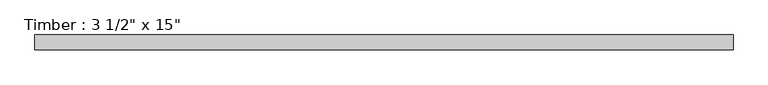
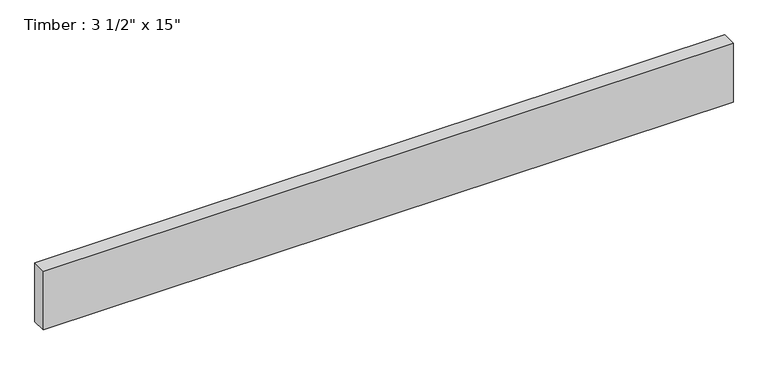
"""IFC4 building model written with IfcOpenShell, lengths in millimetres: beam geometry."""

from ifc_helpers import new_model, si_unit, frame, origin, place, context, project, spatial, polyline, outline, extrude, source, transform, mapped, element, save


def beam_1bd46e7e(model_context):
    return source(origin(), model_context, "Body", "SweptSolid", [
        extrude(outline(polyline([(2112.9625, 44.45), (2112.9625, -44.45), (-2112.9625, -44.45), (-2112.9625, 44.45), (2112.9625, 44.45)])), frame((0.0, 0.0, -190.5), z_axis=(0.0, 0.0, 1.0), x_axis=(1.0, 0.0, 0.0)), (0.0, 0.0, 1.0), 381.0),
    ])


if __name__ == "__main__":
    model = new_model("IFC4")
    model_context = context("Model", 3, world=origin())
    ifc_project = project(units=[si_unit("LENGTHUNIT", "METRE", prefix="MILLI")], contexts=[model_context])
    site = spatial("IfcSite", under=ifc_project)
    building = spatial("IfcBuilding", under=site)
    placement = place(None, origin())
    beam_shape = beam_1bd46e7e(model_context)
    element("IfcBeam", 1, ObjectType="Timber : 3 1/2\" x 15\"", at=placement, inside=building, context=model_context, shape_type="MappedRepresentation", body=[
        mapped(beam_shape, transform((0.0, 0.0, 0.0), x_axis=(1.0, 0.0, 0.0), y_axis=(0.0, 1.0, 0.0), z_axis=(0.0, 0.0, 1.0))),
    ])
    save(model, "model.ifc")
